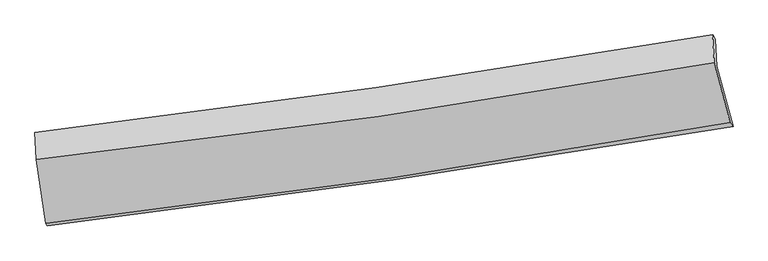
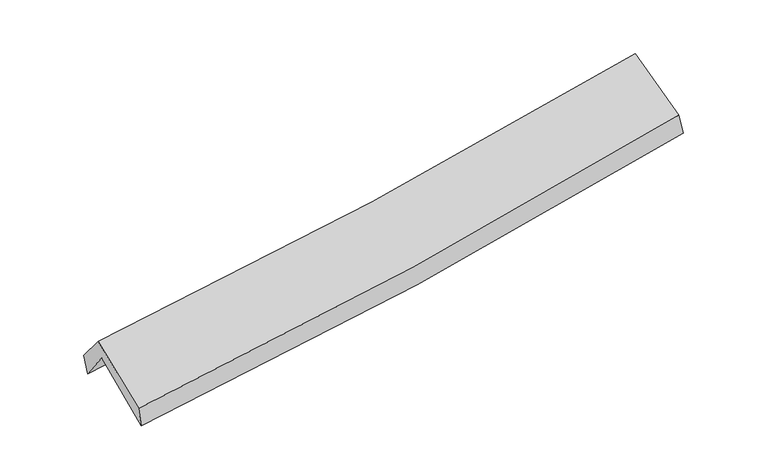
"""IFC4 building model written with IfcOpenShell, lengths in millimetres: proxy geometry."""

from ifc_helpers import new_model, si_unit, frame, origin, place, context, project, spatial, source, transform, mapped, element, save
from ifc_brep_helpers import plane_surface, spline_curve, spline_surface, advanced_brep


def generic_models_e32b4f05(model_context):
    return source(origin(), model_context, "Body", "AdvancedBrep", [
        advanced_brep(
        [(-2944.1143245, -2532.1184612, 1455.4398045), (-3029.0101748, -1986.5553356, 1885.5669928), (2946.9328355, -1121.852154, 2385.8576347), (3090.7121829, -1654.5075355, 1964.3601621), (-3038.4635012, -1751.9681511, 1575.9046452), (2935.6995508, -886.8170201, 2091.8038029), (-3053.2685493, -1706.2438225, 1752.5578064), (2910.3456937, -847.2730162, 2258.0683858), (-3042.462014, -1943.8348778, 2043.6560705), (2924.8260944, -1090.3563468, 2535.8725248), (-2956.3265231, -2508.301128, 1629.7437022), (3064.7015441, -1621.527521, 2147.7602491)],
        [
            (0, 1),
            (1, 2, spline_curve(3, [(-3029.0101748, -1986.5553356, 1885.5669928), (-2020.953331596, -1879.337674748, 1951.700494668), (-1016.279961445, -1753.183330977, 2026.72886283), (975.629312427, -1464.547480085, 2193.680981434), (1962.936945702, -1302.467429762, 2285.416160194), (2946.9328355, -1121.852154, 2385.8576347)], [4, 2, 4], [0.0, 10.044686011142717, 19.982328074799018])),
            (2, 3),
            (3, 0, spline_curve(3, [(3090.7121829, -1654.5075355, 1964.3601621), (2097.166528802, -1822.104014871, 1845.053684366), (1100.203908261, -1978.703948375, 1743.12401557), (-911.330919209, -2271.47909923, 1573.107529691), (-1925.977134306, -2407.416141302, 1505.397079171), (-2944.1143245, -2532.1184612, 1455.4398045)], [4, 2, 4], [0.0, 9.9376420636563, 19.982328074799018])),
            (1, 4),
            (4, 5, spline_curve(3, [(-3038.4635012, -1751.9681511, 1575.9046452), (-2031.59746951, -1630.319357519, 1631.188731532), (-1027.66623915, -1496.950370663, 1702.136134463), (963.659226951, -1208.318192325, 1874.434582286), (1951.115680582, -1053.303468931, 1975.453565354), (2935.6995508, -886.8170201, 2091.8038029)], [4, 2, 4], [0.0, 9.994255053566697, 19.882003590958266])),
            (5, 2),
            (4, 6),
            (6, 7, spline_curve(3, [(-3053.2685493, -1706.2438225, 1752.5578064), (-2048.787101808, -1588.390787639, 1814.533141068), (-1046.930287158, -1457.430072765, 1887.93323062), (940.885485145, -1170.828588138, 2056.678961984), (1926.900084833, -1015.465700675, 2151.782398358), (2910.3456937, -847.2730162, 2258.0683858)], [4, 2, 4], [0.0, 9.983632730228038, 19.860872143978817])),
            (7, 5),
            (6, 8),
            (8, 9, spline_curve(3, [(-3042.462014, -1943.8348778, 2043.6560705), (-2036.612780527, -1834.987350037, 2106.975376562), (-1033.766292003, -1708.967874413, 2179.924107621), (955.266086117, -1424.11098581, 2344.200402645), (1941.515633629, -1265.637617855, 2435.323823101), (2924.8260944, -1090.3563468, 2535.8725248)], [4, 2, 4], [0.0, 9.975061452743677, 19.843820931176083])),
            (9, 7),
            (8, 10),
            (10, 11, spline_curve(3, [(-2956.3265231, -2508.301128, 1629.7437022), (-1939.847029003, -2390.180659422, 1688.440315467), (-927.187444418, -2256.745155113, 1761.263185703), (1079.740929125, -1960.829273967, 1934.2348447), (2074.090700264, -1798.673576275, 2034.084156236), (3064.7015441, -1621.527521, 2147.7602491)], [4, 2, 4], [0.0, 10.026255033139808, 19.945662533558107])),
            (11, 9),
            (10, 0),
            (3, 11),
        ],
        [
            spline_surface(3, 3, [[(-2944.1143245, -2532.1184612, 1455.4398045), (-1925.977134191, -2407.416141227, 1505.397079091), (-911.33091907, -2271.479099359, 1573.107529547), (1100.203908123, -1978.703948248, 1743.124015712), (2097.166528802, -1822.104014861, 1845.053684506), (3090.7121829, -1654.5075355, 1964.3601621)], [(-2972.412941248, -2350.264085998, 1598.815533936), (-1957.635866621, -2231.389985784, 1654.164884296), (-946.313933178, -2098.713843284, 1724.314640678), (1058.679042907, -1807.318458816, 1893.30967088), (2052.423334478, -1648.891819847, 1991.841176447), (3042.785733789, -1476.955741657, 2104.859319636)], [(-3000.711558052, -2168.409710802, 1742.191263364), (-1989.294599106, -2055.363830346, 1802.932689494), (-981.296947336, -1925.948587198, 1875.521751865), (1017.154177642, -1635.932969373, 2043.495326103), (2007.680140086, -1475.679624861, 2138.628668378), (2994.859284611, -1299.403947843, 2245.358477164)], [(-3029.0101748, -1986.5553356, 1885.5669928), (-2020.953331536, -1879.337674902, 1951.700494699), (-1016.279961444, -1753.183331123, 2026.728862996), (975.629312427, -1464.547479941, 2193.68098127), (1962.936945761, -1302.467429847, 2285.416160319), (2946.9328355, -1121.852154, 2385.8576347)]], [4, 4], [4, 2, 4], [0.0, 2.282620372061622], [0.0, 10.044686011142717, 19.982328074799018]),
            spline_surface(3, 3, [[(-3029.0101748, -1986.5553356, 1885.5669928), (-2020.953331536, -1879.337674902, 1951.700494699), (-1016.279961444, -1753.183331123, 2026.728862996), (975.629312427, -1464.547479941, 2193.68098127), (1962.936945761, -1302.467429847, 2285.416160319), (2946.9328355, -1121.852154, 2385.8576347)], [(-3032.161283619, -1908.359607436, 1782.346210246), (-2024.501377595, -1796.331569125, 1844.863240299), (-1020.075387373, -1667.772344259, 1918.531286805), (971.639283969, -1379.137717401, 2087.265514965), (1958.996524032, -1219.412776237, 2182.095295354), (2943.188407257, -1043.507109366, 2287.839690791)], [(-3035.312392381, -1830.163879264, 1679.125427754), (-2028.049423598, -1713.32546334, 1738.025985961), (-1023.870813314, -1582.361357462, 1810.333710599), (967.6492555, -1293.727954928, 1980.850048645), (1955.056102334, -1136.358122629, 2078.774430317), (2939.443979043, -965.162064734, 2189.821746809)], [(-3038.4635012, -1751.9681511, 1575.9046452), (-2031.597469657, -1630.319357563, 1631.188731561), (-1027.666239243, -1496.950370599, 1702.136134408), (963.659227043, -1208.318192389, 1874.43458234), (1951.115680606, -1053.303469019, 1975.453565351), (2935.6995508, -886.8170201, 2091.8038029)]], [4, 4], [4, 2, 4], [0.0, 1.350497736234388], [0.0, 9.994255053566697, 19.882003590958266]),
            spline_surface(3, 3, [[(-3038.4635012, -1751.9681511, 1575.9046452), (-2031.597469657, -1630.319357563, 1631.188731561), (-1027.666239243, -1496.950370599, 1702.136134408), (963.659227043, -1208.318192389, 1874.43458234), (1951.115680606, -1053.303469019, 1975.453565351), (2935.6995508, -886.8170201, 2091.8038029)], [(-3043.398517213, -1736.726708231, 1634.78903228), (-2037.327346997, -1616.343167543, 1692.303534697), (-1034.087588523, -1483.776937991, 1764.068499859), (956.067979722, -1195.82165763, 1935.182708829), (1943.04381533, -1040.690879593, 2034.229843034), (2927.248265104, -873.635685464, 2147.22533051)], [(-3048.333533287, -1721.485265369, 1693.67341932), (-2043.057224397, -1602.366977531, 1753.418337791), (-1040.508937807, -1470.60350539, 1826.00086533), (948.476732396, -1183.32512288, 1995.930835337), (1934.971950042, -1028.078290176, 2093.006120788), (2918.796979396, -860.454350836, 2202.64685819)], [(-3053.2685493, -1706.2438225, 1752.5578064), (-2048.787101738, -1588.390787511, 1814.533140926), (-1046.930287087, -1457.430072782, 1887.933230781), (940.885485075, -1170.828588121, 2056.678961825), (1926.900084766, -1015.465700751, 2151.78239847), (2910.3456937, -847.2730162, 2258.0683858)]], [4, 4], [4, 2, 4], [0.0, 0.6207205580912285], [0.0, 9.983632730228038, 19.860872143978817]),
            spline_surface(3, 3, [[(-3053.2685493, -1706.2438225, 1752.5578064), (-2048.787101738, -1588.390787511, 1814.533140926), (-1046.930287087, -1457.430072782, 1887.933230781), (940.885485075, -1170.828588121, 2056.678961825), (1926.900084766, -1015.465700751, 2151.78239847), (2910.3456937, -847.2730162, 2258.0683858)], [(-3049.666370877, -1785.44084094, 1849.590561107), (-2044.728994632, -1670.589641707, 1912.013886142), (-1042.542288713, -1541.276006664, 1985.263523046), (945.679018731, -1255.256054012, 2152.519442091), (1931.771934427, -1098.856339768, 2246.296206678), (2915.172493941, -928.300793076, 2350.66976548)], [(-3046.064192423, -1864.63785936, 1946.623315793), (-2040.670887494, -1752.788495882, 2009.494631336), (-1038.154290321, -1625.121940546, 2082.593815344), (950.472552405, -1339.683519904, 2248.359922391), (1936.643784064, -1182.246978755, 2340.810014846), (2919.999294159, -1009.328569924, 2443.27114512)], [(-3042.462014, -1943.8348778, 2043.6560705), (-2036.612780388, -1834.987350077, 2106.975376551), (-1033.766291947, -1708.967874428, 2179.924107609), (955.266086062, -1424.110985795, 2344.200402657), (1941.515633725, -1265.637617772, 2435.323823053), (2924.8260944, -1090.3563468, 2535.8725248)]], [4, 4], [4, 2, 4], [0.0, 1.2616008146268562], [0.0, 9.975061452743677, 19.843820931176083]),
            spline_surface(3, 3, [[(-3042.462014, -1943.8348778, 2043.6560705), (-2036.612780388, -1834.987350077, 2106.975376551), (-1033.766291947, -1708.967874428, 2179.924107609), (955.266086062, -1424.110985795, 2344.200402657), (1941.515633725, -1265.637617772, 2435.323823053), (2924.8260944, -1090.3563468, 2535.8725248)], [(-3013.750183699, -2131.990294548, 1905.685281045), (-2004.357529945, -2020.051786587, 1967.46368945), (-998.24000949, -1891.560301282, 2040.370467027), (996.757700424, -1603.017081922, 2207.545216619), (1985.707322602, -1443.316270663, 2301.577267455), (2971.451244288, -1267.413404873, 2406.501766218)], [(-2985.038353401, -2320.145711252, 1767.714491655), (-1972.102279507, -2205.116223052, 1827.952002415), (-962.713726967, -2074.152728092, 1900.816826443), (1038.249314853, -1781.923178004, 2070.890030581), (2029.899011516, -1620.994923536, 2167.830711904), (3018.076394212, -1444.470462927, 2277.131007682)], [(-2956.3265231, -2508.301128, 1629.7437022), (-1939.847029065, -2390.180659562, 1688.440315314), (-927.18744451, -2256.745154946, 1761.263185861), (1079.740929215, -1960.829274131, 1934.234844544), (2074.090700392, -1798.673576426, 2034.084156306), (3064.7015441, -1621.527521, 2147.7602491)]], [4, 4], [4, 2, 4], [0.0, 2.270936423141877], [0.0, 10.026255033139808, 19.945662533558107]),
            spline_surface(3, 3, [[(-2956.3265231, -2508.301128, 1629.7437022), (-1939.847029065, -2390.180659562, 1688.440315314), (-927.18744451, -2256.745154946, 1761.263185861), (1079.740929215, -1960.829274131, 1934.234844544), (2074.090700392, -1798.673576426, 2034.084156306), (3064.7015441, -1621.527521, 2147.7602491)], [(-2952.255790244, -2516.240239047, 1571.642402986), (-1935.223730784, -2395.925820097, 1627.425903259), (-921.901936024, -2261.656469757, 1698.544633788), (1086.56192219, -1966.787498843, 1870.531234965), (2081.782643184, -1806.483722568, 1971.073999039), (3073.371757021, -1632.520859164, 2086.626886766)], [(-2948.185057356, -2524.179350153, 1513.541103714), (-1930.600432472, -2401.670980692, 1566.411491146), (-916.616427555, -2266.567784548, 1635.82608162), (1093.382915148, -1972.745723536, 1806.827625291), (2089.474586011, -1814.293868719, 1908.063841773), (3082.041969979, -1643.514197336, 2025.493524434)], [(-2944.1143245, -2532.1184612, 1455.4398045), (-1925.977134191, -2407.416141227, 1505.397079091), (-911.33091907, -2271.479099359, 1573.107529547), (1100.203908123, -1978.703948248, 1743.124015712), (2097.166528802, -1822.104014861, 1845.053684506), (3090.7121829, -1654.5075355, 1964.3601621)]], [4, 4], [4, 2, 4], [0.0, 0.6272226374927605], [0.0, 10.085321289846101, 20.063165591229215]),
            plane_surface(frame((2978.8696502, -1203.7222656, 2230.6204599), z_axis=(0.9779346982221395, 0.17980838806118535, 0.10636103419961414), x_axis=(0.20797418575058538, -0.7897732784302154, -0.5770657733213526))),
            plane_surface(frame((-3010.6075145, -2071.5036294, 1723.8115036), z_axis=(-0.992267795042746, -0.11162232770213672, -0.05426858095955919), x_axis=(-0.06925097124921184, 0.13505950164146327, 0.9884145051532786))),
        ],
        [
            (0, [[1, 2, 3, 4]]),
            (1, [[5, 6, 7, -2]]),
            (2, [[8, 9, 10, -6]]),
            (3, [[11, 12, 13, -9]]),
            (4, [[14, 15, 16, -12]]),
            (5, [[17, -4, 18, -15]]),
            (6, [[-16, -18, -3, -7, -10, -13]]),
            (7, [[-17, -14, -11, -8, -5, -1]]),
        ],
    ),
    ])


if __name__ == "__main__":
    model = new_model("IFC4")
    model_context = context("Model", 3, world=origin())
    ifc_project = project(units=[si_unit("LENGTHUNIT", "METRE", prefix="MILLI")], contexts=[model_context])
    site = spatial("IfcSite", under=ifc_project)
    building = spatial("IfcBuilding", under=site)
    placement = place(None, origin())
    generic_models_shape = generic_models_e32b4f05(model_context)
    element("IfcBuildingElementProxy", 1, Name="Generic Models", at=placement, inside=building, context=model_context, shape_type="MappedRepresentation", body=[
        mapped(generic_models_shape, transform((0.0, 0.0, 0.0), x_axis=(1.0, 0.0, 0.0), y_axis=(0.0, 1.0, 0.0), z_axis=(0.0, 0.0, 1.0))),
    ])
    save(model, "model.ifc")
